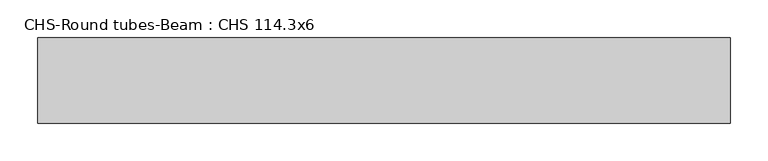
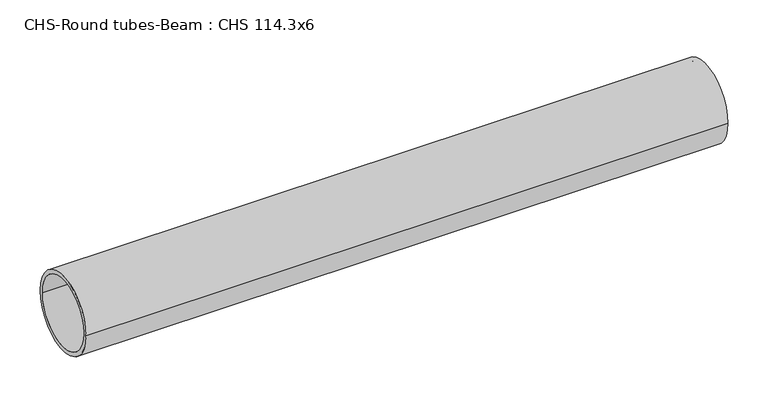
"""IFC4 building model written with IfcOpenShell, lengths in millimetres: beam geometry, CHS-Round tubes-Beam : CHS 114.3x6."""

from ifc_helpers import new_model, si_unit, point, frame, origin, origin_2d, place, context, project, spatial, circle_curve, trimmed, segment, composite_curve, outline, extrude, source, transform, mapped, element, save


def chs_round_tubes_beam_chs_114_3x6_0614fa1c(model_context):
    return source(origin(), model_context, "Body", "SweptSolid", [
        extrude(outline(composite_curve([segment(trimmed(circle_curve(origin_2d(), 57.15), [point((57.15, 0.0))], [point((-57.15, 0.0))], False, "CARTESIAN"), True, "CONTINUOUS"), segment(trimmed(circle_curve(origin_2d(), 57.15), [point((-57.15, 0.0))], [point((57.15, 0.0))], False, "CARTESIAN"), True, "CONTINUOUS")], self_intersect=False), holes=[composite_curve([segment(trimmed(circle_curve(origin_2d(), 51.15), [point((51.15, 0.0))], [point((-51.15, 0.0))], True, "CARTESIAN"), True, "CONTINUOUS"), segment(trimmed(circle_curve(origin_2d(), 51.15), [point((-51.15, 0.0))], [point((51.15, 0.0))], True, "CARTESIAN"), True, "CONTINUOUS")], self_intersect=False)]), frame((-470.9759938, 0.0, 0.0), z_axis=(1.0, 0.0, 0.0), x_axis=(0.0, 1.0, 0.0)), (0.0, 0.0, 1.0), 923.5011568),
    ])


if __name__ == "__main__":
    model = new_model("IFC4")
    model_context = context("Model", 3, world=origin())
    ifc_project = project(units=[si_unit("LENGTHUNIT", "METRE", prefix="MILLI")], contexts=[model_context])
    site = spatial("IfcSite", under=ifc_project)
    building = spatial("IfcBuilding", under=site)
    placement = place(None, origin())
    chs_round_tubes_beam_chs_114_3x6_shape = chs_round_tubes_beam_chs_114_3x6_0614fa1c(model_context)
    element("IfcBeam", 1, ObjectType="CHS-Round tubes-Beam : CHS 114.3x6", at=placement, inside=building, context=model_context, shape_type="MappedRepresentation", body=[
        mapped(chs_round_tubes_beam_chs_114_3x6_shape, transform((0.0, 0.0, 0.0), x_axis=(1.0, 0.0, 0.0), y_axis=(0.0, 1.0, 0.0), z_axis=(0.0, 0.0, 1.0))),
    ])
    save(model, "model.ifc")
